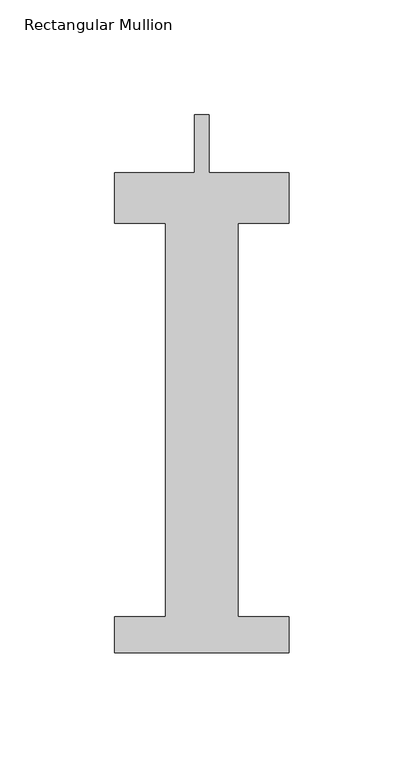
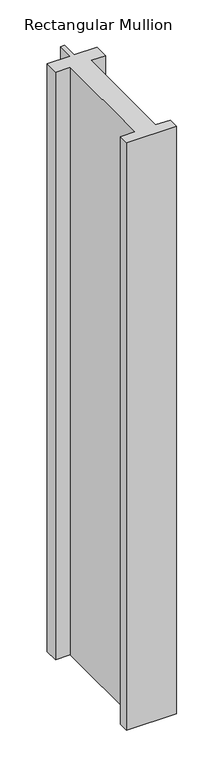
"""IFC4 building model written with IfcOpenShell, lengths in millimetres: member geometry, Rectangular Mullion."""

from ifc_helpers import new_model, si_unit, frame, origin, place, context, project, spatial, polyline, outline, extrude, source, transform, mapped, element, save


def rectangular_mullion_322843b0(model_context):
    return source(origin(), model_context, "Body", "SweptSolid", [
        extrude(outline(polyline([(38.1, -221.996), (-38.1, -221.996), (-38.1, -206.121), (-15.875, -206.121), (-15.875, -34.671), (-38.1, -34.671), (-38.1, -12.7), (-3.175, -12.7), (-3.175, 12.7), (3.175, 12.7), (3.175, -12.7), (38.1, -12.7), (38.1, -34.671), (15.875, -34.671), (15.875, -206.121), (38.1, -206.121), (38.1, -221.996)])), frame((0.0, 0.0, -948.2666667), z_axis=(0.0, 0.0, 1.0), x_axis=(1.0, 0.0, 0.0)), (0.0, 0.0, 1.0), 948.2666667),
    ])


if __name__ == "__main__":
    model = new_model("IFC4")
    model_context = context("Model", 3, world=origin())
    ifc_project = project(units=[si_unit("LENGTHUNIT", "METRE", prefix="MILLI")], contexts=[model_context])
    site = spatial("IfcSite", under=ifc_project)
    building = spatial("IfcBuilding", under=site)
    placement = place(None, origin())
    rectangular_mullion_shape = rectangular_mullion_322843b0(model_context)
    element("IfcMember", 1, ObjectType="Rectangular Mullion", at=placement, inside=building, context=model_context, shape_type="MappedRepresentation", body=[
        mapped(rectangular_mullion_shape, transform((0.0, 0.0, 0.0), x_axis=(1.0, 0.0, 0.0), y_axis=(0.0, 1.0, 0.0), z_axis=(0.0, 0.0, 1.0))),
    ])
    save(model, "model.ifc")
